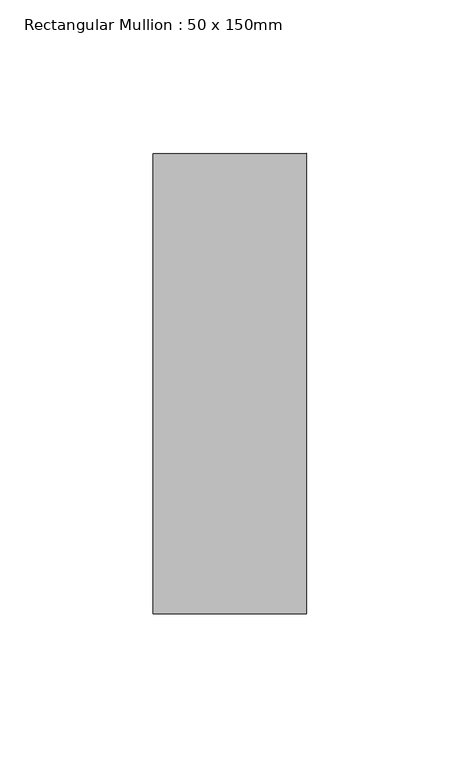
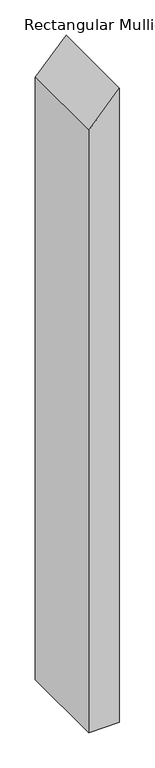
"""IFC4 building model written with IfcOpenShell, lengths in millimetres: member geometry, Rectangular Mullion : 50 x 150mm."""

from ifc_helpers import new_model, si_unit, frame, origin, place, context, project, spatial, polyline, outline, extrude, source, transform, mapped, element, save


def rectangular_mullion_50_x_150mm_41496f8d(model_context):
    return source(origin(), model_context, "Body", "SweptSolid", [
        extrude(outline(polyline([(0.0, 0.0), (-54.5654251, -50.0), (-1090.8204853, -50.0), (-1090.8204853, 0.0), (0.0, 0.0)])), frame((0.0, -75.0, 0.0), z_axis=(0.0, 1.0, 0.0), x_axis=(0.0, 0.0, 1.0)), (0.0, 0.0, 1.0), 150.0),
    ])


if __name__ == "__main__":
    model = new_model("IFC4")
    model_context = context("Model", 3, world=origin())
    ifc_project = project(units=[si_unit("LENGTHUNIT", "METRE", prefix="MILLI")], contexts=[model_context])
    site = spatial("IfcSite", under=ifc_project)
    building = spatial("IfcBuilding", under=site)
    placement = place(None, origin())
    rectangular_mullion_50_x_150mm_shape = rectangular_mullion_50_x_150mm_41496f8d(model_context)
    element("IfcMember", 1, ObjectType="Rectangular Mullion : 50 x 150mm", at=placement, inside=building, context=model_context, shape_type="MappedRepresentation", body=[
        mapped(rectangular_mullion_50_x_150mm_shape, transform((0.0, 0.0, 0.0), x_axis=(1.0, 0.0, 0.0), y_axis=(0.0, 1.0, 0.0), z_axis=(0.0, 0.0, 1.0))),
    ])
    save(model, "model.ifc")
